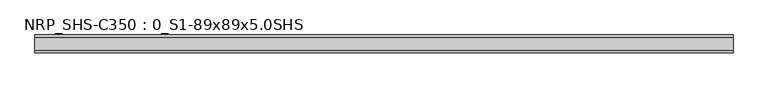
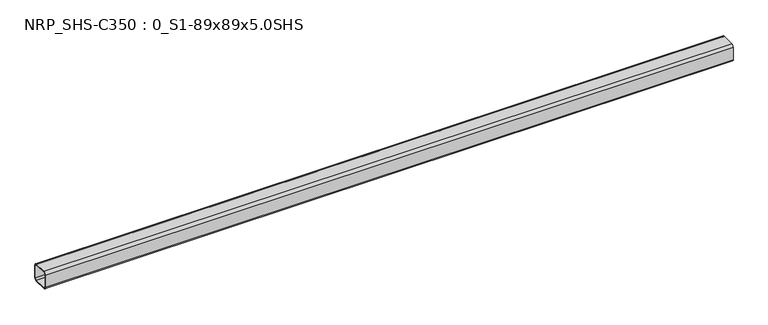
"""IFC4 building model written with IfcOpenShell, lengths in millimetres: beam geometry, NRP_SHS-C350 : 0_S1-89x89x5.0SHS."""

from ifc_helpers import new_model, si_unit, point, frame, frame_2d, origin, place, context, project, spatial, polyline, circle_curve, trimmed, segment, composite_curve, outline, extrude, source, transform, mapped, element, save


def nrp_shs_c350_0_s1_89x89x5_0shs_329950e5(model_context):
    return source(origin(), model_context, "Body", "SweptSolid", [
        extrude(outline(composite_curve([segment(polyline([(44.5, 32.0), (44.5, -32.0)]), True, "CONTINUOUS"), segment(trimmed(circle_curve(frame_2d((32.0, -32.0)), 12.5), [point((44.5, -32.0))], [point((32.0, -44.5))], False, "CARTESIAN"), True, "CONTINUOUS"), segment(polyline([(32.0, -44.5), (-32.0, -44.5)]), True, "CONTINUOUS"), segment(trimmed(circle_curve(frame_2d((-32.0, -32.0)), 12.5), [point((-32.0, -44.5))], [point((-44.5, -32.0))], False, "CARTESIAN"), True, "CONTINUOUS"), segment(polyline([(-44.5, -32.0), (-44.5, 32.0)]), True, "CONTINUOUS"), segment(trimmed(circle_curve(frame_2d((-32.0, 32.0)), 12.5), [point((-44.5, 32.0))], [point((-32.0, 44.5))], False, "CARTESIAN"), True, "CONTINUOUS"), segment(polyline([(-32.0, 44.5), (32.0, 44.5)]), True, "CONTINUOUS"), segment(trimmed(circle_curve(frame_2d((32.0, 32.0)), 12.5), [point((32.0, 44.5))], [point((44.5, 32.0))], False, "CARTESIAN"), True, "CONTINUOUS")], self_intersect=False), holes=[composite_curve([segment(trimmed(circle_curve(frame_2d((-32.0, 32.0)), 7.5), [point((-32.0, 39.5))], [point((-39.5, 32.0))], True, "CARTESIAN"), True, "CONTINUOUS"), segment(polyline([(-39.5, 32.0), (-39.5, -32.0)]), True, "CONTINUOUS"), segment(trimmed(circle_curve(frame_2d((-32.0, -32.0)), 7.5), [point((-39.5, -32.0))], [point((-32.0, -39.5))], True, "CARTESIAN"), True, "CONTINUOUS"), segment(polyline([(-32.0, -39.5), (32.0, -39.5)]), True, "CONTINUOUS"), segment(trimmed(circle_curve(frame_2d((32.0, -32.0)), 7.5), [point((32.0, -39.5))], [point((39.5, -32.0))], True, "CARTESIAN"), True, "CONTINUOUS"), segment(polyline([(39.5, -32.0), (39.5, 32.0)]), True, "CONTINUOUS"), segment(trimmed(circle_curve(frame_2d((32.0, 32.0)), 7.5), [point((39.5, 32.0))], [point((32.0, 39.5))], True, "CARTESIAN"), True, "CONTINUOUS"), segment(polyline([(32.0, 39.5), (-32.0, 39.5)]), True, "CONTINUOUS")], self_intersect=False)]), frame((-1725.0, 0.0, 0.0), z_axis=(1.0, 0.0, 0.0), x_axis=(0.0, 1.0, 0.0)), (0.0, 0.0, 1.0), 3435.0),
    ])


if __name__ == "__main__":
    model = new_model("IFC4")
    model_context = context("Model", 3, world=origin())
    ifc_project = project(units=[si_unit("LENGTHUNIT", "METRE", prefix="MILLI")], contexts=[model_context])
    site = spatial("IfcSite", under=ifc_project)
    building = spatial("IfcBuilding", under=site)
    placement = place(None, origin())
    nrp_shs_c350_0_s1_89x89x5_0shs_shape = nrp_shs_c350_0_s1_89x89x5_0shs_329950e5(model_context)
    element("IfcBeam", 1, ObjectType="NRP_SHS-C350 : 0_S1-89x89x5.0SHS", at=placement, inside=building, context=model_context, shape_type="MappedRepresentation", body=[
        mapped(nrp_shs_c350_0_s1_89x89x5_0shs_shape, transform((0.0, 0.0, 0.0), x_axis=(1.0, 0.0, 0.0), y_axis=(0.0, 1.0, 0.0), z_axis=(0.0, 0.0, 1.0))),
    ])
    save(model, "model.ifc")
